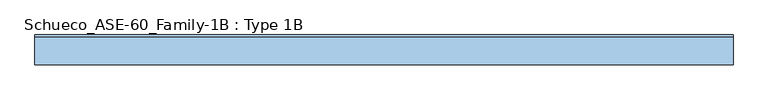
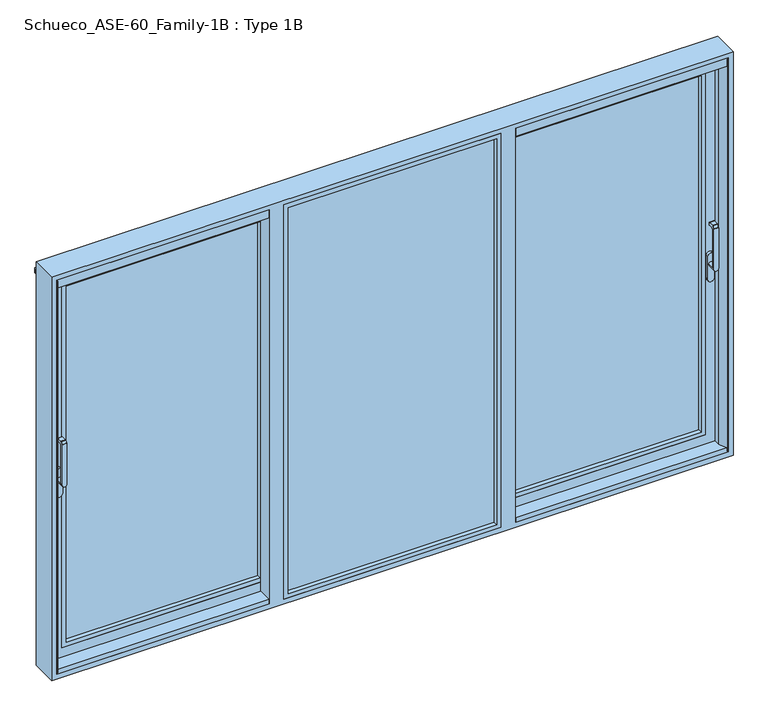
"""IFC4 building model written with IfcOpenShell, lengths in millimetres: window geometry, Schueco_ASE-60_Family-1B : Type 1B."""

from ifc_helpers import new_model, si_unit, point, frame, frame_2d, origin, place, context, project, spatial, polyline, circle_curve, trimmed, segment, composite_curve, outline, extrude, faceted_brep, source, transform, mapped, element, save
from ifc_brep_helpers import plane_surface, cylinder_surface, revolved_surface, advanced_brep


def schueco_ase_60_family_1b_type_1b_54223eb8(model_context):
    return source(origin(), model_context, "Body", "SolidModel", [
        advanced_brep(
        [(1723.75, -41.999944, 999.0), (1723.75, -41.999944, 1224.2360009), (1699.75, -41.999944, 1224.2360009), (1699.75, -41.999944, 999.0), (1723.75, 6.000056, 999.005052), (1699.75, 6.000056, 999.005052), (1699.75, -29.999944, 999.005052), (1723.75, -29.999944, 999.005052), (1699.75, -41.4141576, 1225.6502145), (1699.75, -30.6500975, 1236.4142746), (1699.75, -29.2358839, 1237.000061), (1699.75, -1.999944, 1237.000061), (1699.75, 5.6e-05, 1235.000061), (1699.75, 5.6e-05, 1224.000061), (1699.75, -1.999944, 1222.000061), (1699.75, -22.649284, 1222.000061), (1699.75, -29.999944, 1214.6494011), (1723.75, -29.999944, 1214.6494011), (1723.75, -22.649284, 1222.000061), (1723.75, -1.999944, 1222.000061), (1723.75, 5.6e-05, 1224.000061), (1723.75, 5.6e-05, 1235.000061), (1723.75, -1.999944, 1237.000061), (1723.75, -29.2358839, 1237.000061), (1723.75, -30.6500975, 1236.4142746), (1723.75, -41.4141576, 1225.6502145)],
        [
            (0, 1),
            (1, 2),
            (2, 3),
            (3, 0, circle_curve(frame((1711.75, -41.999944, 999.005052), z_axis=(0.0, -1.0, 0.0), x_axis=(-1.0000000000000009, 0.0, 0.0)), 12.0)),
            (4, 5, circle_curve(frame((1711.75, 6.000056, 999.005052), z_axis=(0.0, 1.0, 0.0), x_axis=(-1.0000000000000009, 0.0, 0.0)), 12.0)),
            (5, 4, circle_curve(frame((1711.75, 6.000056, 999.005052), z_axis=(0.0, 1.0, 0.0), x_axis=(-1.0000000000000009, 0.0, 0.0)), 12.0)),
            (3, 6),
            (6, 5),
            (4, 7),
            (7, 0),
            (6, 7, circle_curve(frame((1711.75, -29.999944, 999.005052), z_axis=(0.0, 1.0, 0.0), x_axis=(-1.0000000000000009, 0.0, 0.0)), 12.0)),
            (2, 8, circle_curve(frame((1699.75, -39.999944, 1224.2360009), z_axis=(-1.0, 0.0, 0.0), x_axis=(0.0, 0.0, -1.0)), 2.0)),
            (8, 9),
            (9, 10, circle_curve(frame((1699.75, -29.2358839, 1235.000061), z_axis=(-1.0, 0.0, 0.0), x_axis=(0.0, 0.0, -1.0)), 2.0)),
            (10, 11),
            (11, 12, circle_curve(frame((1699.75, -1.999944, 1235.000061), z_axis=(-1.0, 0.0, 0.0), x_axis=(0.0, 0.0, -1.0)), 2.0)),
            (12, 13),
            (13, 14, circle_curve(frame((1699.75, -1.999944, 1224.000061), z_axis=(-1.0, 0.0, 0.0), x_axis=(0.0, 0.0, -1.0)), 2.0)),
            (14, 15),
            (15, 16, circle_curve(frame((1699.75, -22.649284, 1214.6494011), z_axis=(1.0, 0.0, 0.0), x_axis=(0.0, 0.0, -1.0)), 7.35066)),
            (16, 6),
            (7, 17),
            (17, 18, circle_curve(frame((1723.75, -22.649284, 1214.6494011), z_axis=(-1.0, 0.0, 0.0), x_axis=(0.0, 0.0, -1.0)), 7.35066)),
            (18, 19),
            (19, 20, circle_curve(frame((1723.75, -1.999944, 1224.000061), z_axis=(1.0, 0.0, 0.0), x_axis=(0.0, 0.0, -1.0)), 2.0)),
            (20, 21),
            (21, 22, circle_curve(frame((1723.75, -1.999944, 1235.000061), z_axis=(1.0, 0.0, 0.0), x_axis=(0.0, 0.0, -1.0)), 2.0)),
            (22, 23),
            (23, 24, circle_curve(frame((1723.75, -29.2358839, 1235.000061), z_axis=(1.0, 0.0, 0.0), x_axis=(0.0, 0.0, -1.0)), 2.0)),
            (24, 25),
            (25, 1, circle_curve(frame((1723.75, -39.999944, 1224.2360009), z_axis=(1.0, 0.0, 0.0), x_axis=(0.0, 0.0, -1.0)), 2.0)),
            (16, 17),
            (15, 18),
            (14, 19),
            (13, 20),
            (12, 21),
            (11, 22),
            (10, 23),
            (9, 24),
            (8, 25),
        ],
        [
            plane_surface(frame((1699.75, -41.999944, 999.005052), z_axis=(0.0, -1.0, 0.0), x_axis=(0.0, 0.0, 1.0))),
            plane_surface(frame((1699.75, 6.000056, 999.005052), z_axis=(0.0, 1.0, 0.0), x_axis=(0.0, 0.0, -1.0))),
            cylinder_surface(frame((1711.75, 6.000056, 999.005052), z_axis=(0.0, -1.0000000000000009, 0.0), x_axis=(-1.0000000000000009, 0.0, 0.0)), 12.0),
            plane_surface(frame((1699.75, -41.999944, 1004.7503433), z_axis=(-1.0, 0.0, 0.0), x_axis=(0.0, 0.0, -1.0))),
            plane_surface(frame((1723.75, -41.999944, 1004.7503433), z_axis=(1.0, 0.0, 0.0), x_axis=(0.0, 0.0, 1.0))),
            plane_surface(frame((1699.75, -29.999944, 999.0), z_axis=(0.0, 1.0, 0.0), x_axis=(1.0, 0.0, 0.0))),
            revolved_surface(polyline([(1723.75, -22.649284, 1207.2987411), (1699.75, -22.649284, 1207.2987411)]), (1723.75, -22.649284, 1214.6494011), (1.0000000000000009, 0.0, 0.0)),
            plane_surface(frame((1699.75, -22.649284, 1222.000061), z_axis=(0.0, 0.0, -1.0), x_axis=(1.0, 0.0, 0.0))),
            cylinder_surface(frame((1723.75, -1.999944, 1224.000061), z_axis=(-1.0000000000000009, 0.0, 0.0), x_axis=(0.0, 0.0, -1.0)), 2.0),
            plane_surface(frame((1699.75, 5.6e-05, 1224.000061), z_axis=(0.0, 1.0, 0.0), x_axis=(1.0, 0.0, 0.0))),
            cylinder_surface(frame((1723.75, -1.999944, 1235.000061), z_axis=(-1.0000000000000009, 0.0, 0.0), x_axis=(0.0, 0.0, -1.0)), 2.0),
            plane_surface(frame((1699.75, -1.999944, 1237.000061), z_axis=(0.0, 0.0, 1.0), x_axis=(1.0, 0.0, 0.0))),
            cylinder_surface(frame((1723.75, -29.2358839, 1235.000061), z_axis=(-1.0000000000000009, 0.0, 0.0), x_axis=(0.0, 0.0, -1.0)), 2.0),
            plane_surface(frame((1699.75, -30.6500975, 1236.4142746), z_axis=(0.0, -0.7071067811865419, 0.7071067811865531), x_axis=(1.0, 0.0, 0.0))),
            cylinder_surface(frame((1723.75, -39.999944, 1224.2360009), z_axis=(-1.0000000000000009, 0.0, 0.0), x_axis=(0.0, 0.0, -1.0)), 2.0),
        ],
        [
            (0, [[1, 2, 3, 4]]),
            (1, [[5, 6]]),
            (2, [[7, 8, -5, 9, 10, -4]]),
            (2, [[-8, 11, -9, -6]]),
            (3, [[12, 13, 14, 15, 16, 17, 18, 19, 20, 21, -7, -3]]),
            (4, [[-1, -10, 22, 23, 24, 25, 26, 27, 28, 29, 30, 31]]),
            (5, [[32, -22, -11, -21]]),
            (6, [[33, -23, -32, -20]]),
            (7, [[34, -24, -33, -19]]),
            (8, [[35, -25, -34, -18]]),
            (9, [[36, -26, -35, -17]]),
            (10, [[37, -27, -36, -16]]),
            (11, [[38, -28, -37, -15]]),
            (12, [[39, -29, -38, -14]]),
            (13, [[40, -30, -39, -13]]),
            (14, [[-2, -31, -40, -12]]),
        ],
    ),
        extrude(outline(composite_curve([segment(polyline([(917.2823932, 1728.5), (1044.0099288, 1728.5)]), True, "CONTINUOUS"), segment(trimmed(circle_curve(frame_2d((1044.0099288, 1711.75)), 16.75), [point((1044.0099288, 1728.5))], [point((1044.0099288, 1695.0))], False, "CARTESIAN"), True, "CONTINUOUS"), segment(polyline([(1044.0099288, 1695.0), (917.2823932, 1695.0)]), True, "CONTINUOUS"), segment(trimmed(circle_curve(frame_2d((917.2823932, 1711.75)), 16.75), [point((917.2823932, 1695.0))], [point((917.2823932, 1728.5))], False, "CARTESIAN"), True, "CONTINUOUS")], self_intersect=False)), frame((0.0, 6.000056, 0.0), z_axis=(0.0, 1.0, 0.0), x_axis=(0.0, 0.0, 1.0)), (0.0, 0.0, 1.0), 13.9999695),
        extrude(outline(polyline([(545.6649788, 80.0), (565.6649483, 80.0), (565.6649483, 74.5), (549.4650438, 74.5), (549.4650438, 20.0000255), (596.6665719, 20.0000255), (596.6665719, 4.0000255), (545.6649788, 4.0000255), (545.6649788, 80.0)])), frame((0.0, 0.0, -11.0017184), z_axis=(0.0, 0.0, 1.0), x_axis=(1.0, 0.0, 0.0)), (0.0, 0.0, 1.0), 2142.0034368),
        extrude(outline(polyline([(2071.0, 1690.0), (2071.0, 625.6666667), (49.0, 625.6666667), (49.0, 1690.0), (2071.0, 1690.0)]), holes=[polyline([(2048.987351, 647.6793157), (2048.987351, 1667.987351), (71.012649, 1667.987351), (71.012649, 647.6793157), (2048.987351, 647.6793157)])]), frame((0.0, 20.0000255, 0.0), z_axis=(0.0, 1.0, 0.0), x_axis=(0.0, 0.0, 1.0)), (0.0, 0.0, 1.0), 22.9999656),
        extrude(outline(polyline([(1690.0, 68.9999911), (1690.0, 42.9999911), (625.6666667, 42.9999911), (625.6666667, 68.9999911), (1690.0, 68.9999911)])), frame((0.0, 0.0, 49.0), z_axis=(0.0, 0.0, 1.0), x_axis=(1.0, 0.0, 0.0)), (0.0, 0.0, 1.0), 2022.0),
        faceted_brep([(647.6666667, 68.9999911, 2049.0), (647.6666667, 68.9999911, 71.0), (647.6666667, 80.0, 71.0), (647.6666667, 80.0, 2049.0), (565.6649483, 80.0, 2131.0017184), (1750.0017184, 80.0, 2131.0017184), (1750.0017184, 80.0, -11.0017184), (565.6649483, 80.0, -11.0017184), (1668.0, 80.0, 2049.0), (1668.0, 80.0, 71.0), (1668.0, 68.9999911, 71.0), (1690.0, 68.9999911, 2071.0), (625.6666667, 68.9999911, 2071.0), (625.6666667, 68.9999911, 49.0), (1690.0, 68.9999911, 49.0), (1668.0, 68.9999911, 2049.0), (625.6666667, 20.0000255, 2071.0), (625.6666667, 20.0000255, 49.0), (1690.0, 20.0000255, 49.0), (1750.0, 20.0000255, 2131.0), (565.6666667, 20.0000255, 2131.0), (565.6666667, 20.0000255, -11.0), (1750.0, 20.0000255, -11.0), (1690.0, 20.0000255, 2071.0), (565.6666667, 25.5000255, 2131.0), (565.6666667, 25.5000255, -11.0), (1750.0, 25.5000255, -11.0), (1750.0, 25.5000255, 2131.0), (1720.0, 25.5000255, 2101.0), (595.6666667, 25.5000255, 2101.0), (595.6666667, 25.5000255, 19.0), (1720.0, 25.5000255, 19.0), (595.6666667, 74.5000332, 2101.0), (595.6666667, 74.5000332, 19.0), (1720.0, 74.5000332, 19.0), (1750.0017184, 74.5000332, 2131.0017184), (565.6649483, 74.5000332, 2131.0017184), (565.6649483, 74.5000332, -11.0017184), (1750.0017184, 74.5000332, -11.0017184), (1720.0, 74.5000332, 2101.0)], [[[0, 1, 2, 3]], [[4, 5, 6, 7], [8, 3, 2, 9]], [[1, 10, 9, 2]], [[11, 12, 13, 14], [0, 15, 10, 1]], [[16, 17, 13, 12]], [[17, 18, 14, 13]], [[19, 20, 21, 22], [16, 23, 18, 17]], [[24, 25, 21, 20]], [[25, 26, 22, 21]], [[24, 27, 26, 25], [28, 29, 30, 31]], [[32, 33, 30, 29]], [[33, 34, 31, 30]], [[35, 36, 37, 38], [32, 39, 34, 33]], [[4, 7, 37, 36]], [[7, 6, 38, 37]], [[10, 15, 8, 9]], [[18, 23, 11, 14]], [[26, 27, 19, 22]], [[34, 39, 28, 31]], [[6, 5, 35, 38]], [[15, 0, 3, 8]], [[23, 16, 12, 11]], [[27, 24, 20, 19]], [[39, 32, 29, 28]], [[5, 4, 36, 35]]]),
        advanced_brep(
        [(-1723.75, -41.999944, 999.005052), (-1699.75, -41.999944, 999.005052), (-1699.75, -41.999944, 1224.2360009), (-1723.75, -41.999944, 1224.2360009), (-1723.75, 6.000056, 999.005052), (-1699.75, 6.000056, 999.005052), (-1723.75, -29.999944, 999.005052), (-1699.75, -29.999944, 999.005052), (-1699.75, -29.999944, 1214.6494011), (-1699.75, -22.649284, 1222.000061), (-1699.75, -1.999944, 1222.000061), (-1699.75, 5.6e-05, 1224.000061), (-1699.75, 5.6e-05, 1235.000061), (-1699.75, -1.999944, 1237.000061), (-1699.75, -29.2358839, 1237.000061), (-1699.75, -30.6500975, 1236.4142746), (-1699.75, -41.4141576, 1225.6502145), (-1723.75, -41.4141576, 1225.6502145), (-1723.75, -30.6500975, 1236.4142746), (-1723.75, -29.2358839, 1237.000061), (-1723.75, -1.999944, 1237.000061), (-1723.75, 5.6e-05, 1235.000061), (-1723.75, 5.6e-05, 1224.000061), (-1723.75, -1.999944, 1222.000061), (-1723.75, -22.649284, 1222.000061), (-1723.75, -29.999944, 1214.6494011)],
        [
            (0, 1, circle_curve(frame((-1711.75, -41.999944, 999.005052), z_axis=(0.0, -1.0, 0.0), x_axis=(1.0000000000000009, 0.0, 0.0)), 12.0)),
            (1, 2),
            (2, 3),
            (3, 0),
            (4, 5, circle_curve(frame((-1711.75, 6.000056, 999.005052), z_axis=(0.0, 1.0, 0.0), x_axis=(1.0000000000000009, 0.0, 0.0)), 12.0)),
            (5, 4, circle_curve(frame((-1711.75, 6.000056, 999.005052), z_axis=(0.0, 1.0, 0.0), x_axis=(1.0000000000000009, 0.0, 0.0)), 12.0)),
            (0, 6),
            (6, 4),
            (5, 7),
            (7, 1),
            (6, 7, circle_curve(frame((-1711.75, -29.999944, 999.005052), z_axis=(0.0, 1.0, 0.0), x_axis=(1.0000000000000009, 0.0, 0.0)), 12.0)),
            (7, 8),
            (8, 9, circle_curve(frame((-1699.75, -22.649284, 1214.6494011), z_axis=(-1.0, 0.0, 0.0), x_axis=(0.0, 0.0, -1.0)), 7.35066)),
            (9, 10),
            (10, 11, circle_curve(frame((-1699.75, -1.999944, 1224.000061), z_axis=(1.0, 0.0, 0.0), x_axis=(0.0, 0.0, -1.0)), 2.0)),
            (11, 12),
            (12, 13, circle_curve(frame((-1699.75, -1.999944, 1235.000061), z_axis=(1.0, 0.0, 0.0), x_axis=(0.0, 0.0, -1.0)), 2.0)),
            (13, 14),
            (14, 15, circle_curve(frame((-1699.75, -29.2358839, 1235.000061), z_axis=(1.0, 0.0, 0.0), x_axis=(0.0, 0.0, -1.0)), 2.0)),
            (15, 16),
            (16, 2, circle_curve(frame((-1699.75, -39.999944, 1224.2360009), z_axis=(1.0, 0.0, 0.0), x_axis=(0.0, 0.0, -1.0)), 2.0)),
            (3, 17, circle_curve(frame((-1723.75, -39.999944, 1224.2360009), z_axis=(-1.0, 0.0, 0.0), x_axis=(0.0, 0.0, -1.0)), 2.0)),
            (17, 18),
            (18, 19, circle_curve(frame((-1723.75, -29.2358839, 1235.000061), z_axis=(-1.0, 0.0, 0.0), x_axis=(0.0, 0.0, -1.0)), 2.0)),
            (19, 20),
            (20, 21, circle_curve(frame((-1723.75, -1.999944, 1235.000061), z_axis=(-1.0, 0.0, 0.0), x_axis=(0.0, 0.0, -1.0)), 2.0)),
            (21, 22),
            (22, 23, circle_curve(frame((-1723.75, -1.999944, 1224.000061), z_axis=(-1.0, 0.0, 0.0), x_axis=(0.0, 0.0, -1.0)), 2.0)),
            (23, 24),
            (24, 25, circle_curve(frame((-1723.75, -22.649284, 1214.6494011), z_axis=(1.0, 0.0, 0.0), x_axis=(0.0, 0.0, -1.0)), 7.35066)),
            (25, 6),
            (25, 8),
            (24, 9),
            (23, 10),
            (22, 11),
            (21, 12),
            (20, 13),
            (19, 14),
            (18, 15),
            (17, 16),
        ],
        [
            plane_surface(frame((-1699.75, -41.999944, 999.005052), z_axis=(0.0, -1.0, 0.0), x_axis=(0.0, 0.0, 1.0))),
            plane_surface(frame((-1699.75, 6.000056, 999.005052), z_axis=(0.0, 1.0, 0.0), x_axis=(0.0, 0.0, -1.0))),
            cylinder_surface(frame((-1711.75, 6.000056, 999.005052), z_axis=(0.0, -1.0000000000000009, 0.0), x_axis=(1.0000000000000009, 0.0, 0.0)), 12.0),
            plane_surface(frame((-1699.75, -41.999944, 1004.7503433), z_axis=(1.0, 0.0, 0.0), x_axis=(0.0, 0.0, -1.0))),
            plane_surface(frame((-1723.75, -41.999944, 1004.7503433), z_axis=(-1.0, 0.0, 0.0), x_axis=(0.0, 0.0, 1.0))),
            plane_surface(frame((-1699.75, -29.999944, 999.0), z_axis=(0.0, 1.0, 0.0), x_axis=(-1.0, 0.0, 0.0))),
            revolved_surface(polyline([(-1723.75, -22.649284, 1207.2987411), (-1699.75, -22.649284, 1207.2987411)]), (-1723.75, -22.649284, 1214.6494011), (-1.0000000000000009, 0.0, 0.0)),
            plane_surface(frame((-1699.75, -22.649284, 1222.000061), z_axis=(0.0, 0.0, -1.0), x_axis=(-1.0, 0.0, 0.0))),
            cylinder_surface(frame((-1723.75, -1.999944, 1224.000061), z_axis=(1.0000000000000009, 0.0, 0.0), x_axis=(0.0, 0.0, -1.0)), 2.0),
            plane_surface(frame((-1699.75, 5.6e-05, 1224.000061), z_axis=(0.0, 1.0, 0.0), x_axis=(-1.0, 0.0, 0.0))),
            cylinder_surface(frame((-1723.75, -1.999944, 1235.000061), z_axis=(1.0000000000000009, 0.0, 0.0), x_axis=(0.0, 0.0, -1.0)), 2.0),
            plane_surface(frame((-1699.75, -1.999944, 1237.000061), z_axis=(0.0, 0.0, 1.0), x_axis=(-1.0, 0.0, 0.0))),
            cylinder_surface(frame((-1723.75, -29.2358839, 1235.000061), z_axis=(1.0000000000000009, 0.0, 0.0), x_axis=(0.0, 0.0, -1.0)), 2.0),
            plane_surface(frame((-1699.75, -30.6500975, 1236.4142746), z_axis=(0.0, -0.7071067811865419, 0.7071067811865531), x_axis=(-1.0, 0.0, 0.0))),
            cylinder_surface(frame((-1723.75, -39.999944, 1224.2360009), z_axis=(1.0000000000000009, 0.0, 0.0), x_axis=(0.0, 0.0, -1.0)), 2.0),
        ],
        [
            (0, [[1, 2, 3, 4]]),
            (1, [[5, 6]]),
            (2, [[-1, 7, 8, -6, 9, 10]]),
            (2, [[-5, -8, 11, -9]]),
            (3, [[-2, -10, 12, 13, 14, 15, 16, 17, 18, 19, 20, 21]]),
            (4, [[22, 23, 24, 25, 26, 27, 28, 29, 30, 31, -7, -4]]),
            (5, [[-12, -11, -31, 32]]),
            (6, [[-13, -32, -30, 33]]),
            (7, [[-14, -33, -29, 34]]),
            (8, [[-15, -34, -28, 35]]),
            (9, [[-16, -35, -27, 36]]),
            (10, [[-17, -36, -26, 37]]),
            (11, [[-18, -37, -25, 38]]),
            (12, [[-19, -38, -24, 39]]),
            (13, [[-20, -39, -23, 40]]),
            (14, [[-21, -40, -22, -3]]),
        ],
    ),
        extrude(outline(composite_curve([segment(trimmed(circle_curve(frame_2d((917.2823932, -1711.75)), 16.75), [point((917.2823932, -1728.5))], [point((917.2823932, -1695.0))], False, "CARTESIAN"), True, "CONTINUOUS"), segment(polyline([(917.2823932, -1695.0), (1044.0099288, -1695.0)]), True, "CONTINUOUS"), segment(trimmed(circle_curve(frame_2d((1044.0099288, -1711.75)), 16.75), [point((1044.0099288, -1695.0))], [point((1044.0099288, -1728.5))], False, "CARTESIAN"), True, "CONTINUOUS"), segment(polyline([(1044.0099288, -1728.5), (917.2823932, -1728.5)]), True, "CONTINUOUS")], self_intersect=False)), frame((0.0, 6.000056, 0.0), z_axis=(0.0, 1.0, 0.0), x_axis=(0.0, 0.0, 1.0)), (0.0, 0.0, 1.0), 13.9999695),
        extrude(outline(polyline([(-545.6649788, 80.0), (-545.6649788, 4.0000255), (-596.6665719, 4.0000255), (-596.6665719, 20.0000255), (-549.4650438, 20.0000255), (-549.4650438, 74.5), (-565.6649483, 74.5), (-565.6649483, 80.0), (-545.6649788, 80.0)])), frame((0.0, 0.0, -11.0017184), z_axis=(0.0, 0.0, 1.0), x_axis=(1.0, 0.0, 0.0)), (0.0, 0.0, 1.0), 2142.0034368),
        extrude(outline(polyline([(2071.0, -1690.0), (49.0, -1690.0), (49.0, -625.6666667), (2071.0, -625.6666667), (2071.0, -1690.0)]), holes=[polyline([(2048.987351, -647.6793157), (71.012649, -647.6793157), (71.012649, -1667.987351), (2048.987351, -1667.987351), (2048.987351, -647.6793157)])]), frame((0.0, 20.0000255, 0.0), z_axis=(0.0, 1.0, 0.0), x_axis=(0.0, 0.0, 1.0)), (0.0, 0.0, 1.0), 22.9999656),
        extrude(outline(polyline([(-1690.0, 68.9999911), (-625.6666667, 68.9999911), (-625.6666667, 42.9999911), (-1690.0, 42.9999911), (-1690.0, 68.9999911)])), frame((0.0, 0.0, 49.0), z_axis=(0.0, 0.0, 1.0), x_axis=(1.0, 0.0, 0.0)), (0.0, 0.0, 1.0), 2022.0),
        faceted_brep([(-647.6666667, 68.9999911, 2049.0), (-647.6666667, 80.0, 2049.0), (-647.6666667, 80.0, 71.0), (-647.6666667, 68.9999911, 71.0), (-565.6649483, 80.0, 2131.0017184), (-565.6649483, 80.0, -11.0017184), (-1750.0017184, 80.0, -11.0017184), (-1750.0017184, 80.0, 2131.0017184), (-1668.0, 80.0, 2049.0), (-1668.0, 80.0, 71.0), (-1668.0, 68.9999911, 71.0), (-1690.0, 68.9999911, 2071.0), (-1690.0, 68.9999911, 49.0), (-625.6666667, 68.9999911, 49.0), (-625.6666667, 68.9999911, 2071.0), (-1668.0, 68.9999911, 2049.0), (-625.6666667, 20.0000255, 2071.0), (-625.6666667, 20.0000255, 49.0), (-1690.0, 20.0000255, 49.0), (-1750.0, 20.0000255, 2131.0), (-1750.0, 20.0000255, -11.0), (-565.6666667, 20.0000255, -11.0), (-565.6666667, 20.0000255, 2131.0), (-1690.0, 20.0000255, 2071.0), (-565.6666667, 25.5000255, 2131.0), (-565.6666667, 25.5000255, -11.0), (-1750.0, 25.5000255, -11.0), (-1750.0, 25.5000255, 2131.0), (-1720.0, 25.5000255, 2101.0), (-1720.0, 25.5000255, 19.0), (-595.6666667, 25.5000255, 19.0), (-595.6666667, 25.5000255, 2101.0), (-595.6666667, 74.5000332, 2101.0), (-595.6666667, 74.5000332, 19.0), (-1720.0, 74.5000332, 19.0), (-1750.0017184, 74.5000332, 2131.0017184), (-1750.0017184, 74.5000332, -11.0017184), (-565.6649483, 74.5000332, -11.0017184), (-565.6649483, 74.5000332, 2131.0017184), (-1720.0, 74.5000332, 2101.0)], [[[0, 1, 2, 3]], [[4, 5, 6, 7], [8, 9, 2, 1]], [[3, 2, 9, 10]], [[11, 12, 13, 14], [0, 3, 10, 15]], [[16, 14, 13, 17]], [[17, 13, 12, 18]], [[19, 20, 21, 22], [16, 17, 18, 23]], [[24, 22, 21, 25]], [[25, 21, 20, 26]], [[24, 25, 26, 27], [28, 29, 30, 31]], [[32, 31, 30, 33]], [[33, 30, 29, 34]], [[35, 36, 37, 38], [32, 33, 34, 39]], [[4, 38, 37, 5]], [[5, 37, 36, 6]], [[10, 9, 8, 15]], [[18, 12, 11, 23]], [[26, 20, 19, 27]], [[34, 29, 28, 39]], [[6, 36, 35, 7]], [[15, 8, 1, 0]], [[23, 11, 14, 16]], [[27, 19, 22, 24]], [[39, 28, 31, 32]], [[7, 35, 38, 4]]]),
        extrude(outline(polyline([(-569.6666361, -10.9998071), (569.6666361, -10.9998071), (569.6666361, -36.9998071), (-569.6666361, -36.9998071), (-569.6666361, -10.9998071)])), frame((0.0, 0.0, -25.0), z_axis=(0.0, 0.0, 1.0), x_axis=(1.0, 0.0, 0.0)), (0.0, 0.0, 1.0), 2189.0),
        extrude(outline(polyline([(2164.0, -569.6666361), (-25.0, -569.6666361), (-25.0, 569.6666361), (2164.0, 569.6666361), (2164.0, -569.6666361)]), holes=[polyline([(2141.9998171, 547.6664532), (-2.9998171, 547.6664532), (-2.9998171, -547.6664532), (2141.9998171, -547.6664532), (2141.9998171, 547.6664532)])]), frame((0.0, -60.0, 0.0), z_axis=(0.0, 1.0, 0.0), x_axis=(0.0, 0.0, 1.0)), (0.0, 0.0, 1.0), 23.0001929),
        extrude(outline(polyline([(-1758.999904, -60.0), (-1764.0, -60.0), (-1764.0, -41.7002059), (-1753.7767036, -41.7002059), (-1742.0, -16.4449835), (-1742.0, 10.9997941), (-1758.0007202, 10.9997941), (-1758.0007202, 14.9997941), (-1739.0, 14.9997941), (-1739.0, -17.1100675), (-1758.999904, -60.0)])), frame((0.0, 0.0, -19.0), z_axis=(0.0, 0.0, 1.0), x_axis=(1.0, 0.0, 0.0)), (0.0, 0.0, 1.0), 2176.5),
        extrude(outline(polyline([(1758.999904, -60.0), (1739.0, -17.1100675), (1739.0, 14.9997941), (1758.0007202, 14.9997941), (1758.0007202, 10.9997941), (1742.0, 10.9997941), (1742.0, -16.4449835), (1753.7767036, -41.7002059), (1764.0, -41.7002059), (1764.0, -60.0), (1758.999904, -60.0)])), frame((0.0, 0.0, -19.0), z_axis=(0.0, 0.0, 1.0), x_axis=(1.0, 0.0, 0.0)), (0.0, 0.0, 1.0), 2176.5),
        faceted_brep([(1790.0, 80.0, -51.0), (1790.0, -60.0, -51.0), (-1790.0, -60.0, -51.0), (-1790.0, 80.0, -51.0), (1790.0, 80.0, 2190.0), (1790.0, -60.0, 2190.0), (-1790.0, -60.0, 2190.0), (1764.0, -60.0, 2164.0), (1764.0, -60.0, -25.0), (647.6666667, -60.0, -25.0), (647.6666667, -60.0, 2164.0), (-569.6666361, -60.0, 2164.0), (569.6666361, -60.0, 2164.0), (569.6666361, -60.0, -25.0), (-569.6666361, -60.0, -25.0), (-1764.0, -60.0, -25.0), (-1764.0, -60.0, 2164.0), (-647.6666667, -60.0, 2164.0), (-647.6666667, -60.0, -25.0), (-1790.0, 80.0, 2190.0), (1742.0, 0.0, -3.0), (1742.0, -10.9998071, -3.0), (1742.0, -10.9998071, 2142.0), (1742.0, 0.0, 2142.0), (-1764.0, -10.9998071, -25.0), (-1764.0, -10.9998071, 2164.0), (1764.0, -10.9998071, -25.0), (1764.0, -10.9998071, 2164.0), (647.6666667, -10.9998071, -25.0), (-647.6666667, -10.9998071, -25.0), (569.6666361, -10.9998071, -25.0), (-569.6666361, -10.9998071, -25.0), (647.6666667, 0.0, 2142.0), (647.6666667, 0.0, 2155.2007202), (1758.0007202, 0.0, 2155.2007202), (1758.0007202, 0.0, -25.0), (647.6666667, 0.0, -25.0), (647.6666667, 0.0, -3.0), (-1742.0, 0.0, 2142.0), (-1742.0, 0.0, -3.0), (-647.6666667, 0.0, -3.0), (-647.6666667, 0.0, -25.0), (-1758.0007202, 0.0, -25.0), (-1758.0007202, 0.0, 2155.2007202), (-647.6666667, 0.0, 2155.2007202), (-647.6666667, 0.0, 2142.0), (-596.6666667, 0.0, -25.0), (-596.6666667, 0.0, 2155.2007202), (596.6666667, 0.0, 2155.2007202), (596.6666667, 0.0, -25.0), (-545.6666667, 0.0, 2142.0), (-545.6666667, 0.0, -3.0), (545.6666667, 0.0, -3.0), (545.6666667, 0.0, 2142.0), (1758.0007202, 28.7999745, -25.0), (1758.0007202, 28.7999745, 2155.2007202), (-1758.0007202, 28.7999745, -25.0), (-1758.0007202, 28.7999745, 2155.2007202), (1750.0007202, 28.7999745, -11.0007902), (-1750.0007202, 28.7999745, -11.0007902), (-1750.0007202, 28.7999745, 2155.2007202), (1750.0007202, 28.7999745, 2155.2007202), (1741.9999672, 31.7120105, -3.0000372), (-1741.999931, 31.712024, -3.0000001), (-1741.9999979, 31.7119993, 2122.0), (-1746.7036773, 30.0, 2122.0), (-1746.7036773, 30.0, 2129.2), (-1741.9999981, 31.7119992, 2130.9119992), (-1741.9999989, 31.7119989, 2155.2007202), (1742.0, 31.7119985, 2155.2007202), (1742.0, 31.7119985, 2130.9119985), (1746.7036773, 30.0, 2129.2), (1746.7036773, 30.0, 2122.0), (1742.0, 31.7119985, 2122.0), (1742.0, 35.8, 2155.2007202), (1742.0, 35.8, 2135.0), (1742.0, 68.2882381, -3.0), (1742.0, 68.2882381, 2122.0), (1742.0, 68.2882381, 2142.0), (1742.0, 68.2882381, 2130.9117619), (1742.0, 64.2, 2135.0), (1742.0, 64.2, 2142.0), (-1742.0, 68.2882381, -3.0), (1750.0, 71.2, -11.0), (1746.7030271, 70.0, 2122.0), (1746.7030271, 70.0, 2129.2), (1750.0, 71.2, 2150.0), (-1750.0, 71.2, -11.0), (1758.0, 71.2, -19.0), (-1758.0, 71.2, -19.0), (-1758.0, 71.2, 2157.5), (1758.0, 71.2, 2157.5), (-1750.0, 71.2, 2150.0), (-1742.0, 68.2882381, 2142.0), (-1742.0, 68.2882381, 2130.9117619), (-1746.7030271, 70.0, 2129.2), (-1746.7030271, 70.0, 2122.0), (-1742.0, 68.2882381, 2122.0), (1758.0, 80.0, -19.0), (-1758.0, 80.0, -19.0), (-1758.0, 80.0, 2157.5), (1758.0, 80.0, 2157.5), (-1742.0, 64.2, 2142.0), (-1742.0, 64.2, 2135.0), (-1742.0, 35.8, 2135.0), (-1742.0, 35.8, 2155.2007202), (-1742.0, -10.9998071, -3.0), (-1742.0, -10.9998071, 2142.0), (-647.6666667, -10.9998071, 2142.0), (-647.6666667, -10.9998071, 2164.0), (-647.6666667, -10.9998071, -3.0), (647.6666667, -10.9998071, -3.0), (647.6666667, -10.9998071, 2164.0), (647.6666667, -10.9998071, 2142.0), (-569.6666361, -10.9998071, 2164.0), (569.6666361, -10.9998071, 2164.0), (-545.6666667, -10.9998071, -3.0), (-545.6666667, -10.9998071, 2142.0), (545.6666667, -10.9998071, 2142.0), (545.6666667, -10.9998071, -3.0), (647.6666667, 16.0, 2155.2007202), (596.6666667, 16.0, 2155.2007202), (-596.6666667, 16.0, 2155.2007202), (-647.6666667, 16.0, 2155.2007202), (-647.6666667, 16.0, -25.0), (-596.6666667, 16.0, -25.0), (596.6666667, 16.0, -25.0), (647.6666667, 16.0, -25.0)], [[[0, 1, 2, 3]], [[4, 5, 1, 0]], [[6, 2, 1, 5], [7, 8, 9, 10], [11, 12, 13, 14], [15, 16, 17, 18]], [[3, 2, 6, 19]], [[20, 21, 22, 23]], [[15, 24, 25, 16]], [[26, 8, 7, 27]], [[8, 26, 28, 9]], [[24, 15, 18, 29]], [[30, 31, 14, 13]], [[20, 23, 32, 33, 34, 35, 36, 37]], [[38, 39, 40, 41, 42, 43, 44, 45]], [[46, 47, 48, 49], [50, 51, 52, 53]], [[54, 35, 34, 55]], [[42, 56, 57, 43]], [[58, 59, 60, 57, 56, 54, 55, 61]], [[58, 62, 63, 59]], [[59, 63, 64, 65, 66, 67, 68, 60]], [[62, 58, 61, 69, 70, 71, 72, 73]], [[70, 69, 74, 75]], [[76, 62, 73, 77]], [[78, 79, 80, 81]], [[62, 76, 82, 63]], [[83, 76, 77, 84, 85, 79, 78, 86]], [[76, 83, 87, 82]], [[88, 89, 90, 91], [87, 83, 86, 92]], [[82, 87, 92, 93, 94, 95, 96, 97]], [[88, 98, 99, 89]], [[89, 99, 100, 90]], [[98, 88, 91, 101]], [[63, 82, 97, 64]], [[94, 93, 102, 103]], [[68, 67, 104, 105]], [[106, 39, 38, 107]], [[106, 107, 108, 109, 25, 24, 29, 110]], [[22, 21, 111, 28, 26, 27, 112, 113]], [[114, 31, 30, 115], [116, 117, 118, 119]], [[6, 5, 4, 19]], [[16, 25, 109, 17]], [[27, 7, 10, 112]], [[11, 114, 115, 12]], [[105, 74, 69, 61, 55, 34, 33, 120, 121, 48, 47, 122, 123, 44, 43, 57, 60, 68]], [[66, 71, 70, 75, 104, 67]], [[65, 72, 71, 66]], [[96, 84, 77, 73, 72, 65, 64, 97]], [[104, 75, 74, 105]], [[103, 80, 79, 85, 95, 94]], [[102, 81, 80, 103]], [[93, 78, 81, 102]], [[95, 85, 84, 96]], [[92, 86, 78, 93]], [[100, 101, 91, 90]], [[0, 3, 19, 4], [99, 98, 101, 100]], [[21, 20, 37, 111]], [[39, 106, 110, 40]], [[51, 116, 119, 52]], [[35, 54, 56, 42, 41, 124, 125, 46, 49, 126, 127, 36]], [[23, 22, 113, 32]], [[107, 38, 45, 108]], [[117, 50, 53, 118]], [[10, 9, 28, 111, 37, 36, 127, 120, 33, 32, 113, 112]], [[18, 17, 109, 108, 45, 44, 123, 124, 41, 40, 110, 29]], [[13, 12, 115, 30]], [[11, 14, 31, 114]], [[117, 116, 51, 50]], [[119, 118, 53, 52]], [[125, 122, 47, 46]], [[49, 48, 121, 126]], [[122, 125, 124, 123]], [[120, 127, 126, 121]]]),
        extrude(outline(polyline([(71.2000255, 2150.5), (71.2000255, 2157.5), (79.9996967, 2157.5), (92.6000233, 2150.225198), (92.6000233, 2121.5), (91.0000233, 2121.5), (91.0000233, 2149.0706861), (88.5243789, 2150.5), (71.2000255, 2150.5)])), frame((-1790.0, 0.0, 0.0), z_axis=(1.0, 0.0, 0.0), x_axis=(0.0, 1.0, 0.0)), (0.0, 0.0, 1.0), 3580.0),
        extrude(outline(polyline([(16.0, 0.0), (16.0, -11.0), (7.2, -11.0), (7.2, -3.0), (-40.5987802, -3.0), (-40.5987802, -25.0), (-60.0, -25.0), (-60.0, 0.0), (16.0, 0.0)])), frame((647.6666667, 0.0, 0.0), z_axis=(1.0, 0.0, 0.0), x_axis=(0.0, 1.0, 0.0)), (0.0, 0.0, 1.0), 1116.3333333),
        extrude(outline(polyline([(16.0, 0.0), (16.0, -11.0), (7.2, -11.0), (7.2, -3.0), (-40.5987802, -3.0), (-40.5987802, -25.0), (-60.0, -25.0), (-60.0, 0.0), (16.0, 0.0)])), frame((-1764.0, 0.0, 0.0), z_axis=(1.0, 0.0, 0.0), x_axis=(0.0, 1.0, 0.0)), (0.0, 0.0, 1.0), 1116.3333333),
        extrude(outline(polyline([(-60.0, 2120.9), (-60.0, 2164.0), (-40.6, 2164.0), (-40.6, 2131.0), (-10.9998071, 2131.0), (-10.9998071, 2142.0), (0.0, 2142.0), (0.0, 2131.0), (16.0, 2131.0), (16.0, 2120.9), (-60.0, 2120.9)])), frame((647.6666667, 0.0, 0.0), z_axis=(1.0, 0.0, 0.0), x_axis=(0.0, 1.0, 0.0)), (0.0, 0.0, 1.0), 1116.3333333),
        extrude(outline(polyline([(-60.0, 2120.9), (-60.0, 2164.0), (-40.6, 2164.0), (-40.6, 2131.0), (-10.9998071, 2131.0), (-10.9998071, 2142.0), (0.0, 2142.0), (0.0, 2131.0), (16.0, 2131.0), (16.0, 2120.9), (-60.0, 2120.9)])), frame((-1764.0, 0.0, 0.0), z_axis=(1.0, 0.0, 0.0), x_axis=(0.0, 1.0, 0.0)), (0.0, 0.0, 1.0), 1116.3333333),
    ])


if __name__ == "__main__":
    model = new_model("IFC4")
    model_context = context("Model", 3, world=origin())
    ifc_project = project(units=[si_unit("LENGTHUNIT", "METRE", prefix="MILLI")], contexts=[model_context])
    site = spatial("IfcSite", under=ifc_project)
    building = spatial("IfcBuilding", under=site)
    placement = place(None, origin())
    schueco_ase_60_family_1b_type_1b_shape = schueco_ase_60_family_1b_type_1b_54223eb8(model_context)
    element("IfcWindow", 1, ObjectType="Schueco_ASE-60_Family-1B : Type 1B", at=placement, inside=building, context=model_context, shape_type="MappedRepresentation", body=[
        mapped(schueco_ase_60_family_1b_type_1b_shape, transform((0.0, 0.0, 0.0), x_axis=(1.0, 0.0, 0.0), y_axis=(0.0, 1.0, 0.0), z_axis=(0.0, 0.0, 1.0))),
    ])
    save(model, "model.ifc")
